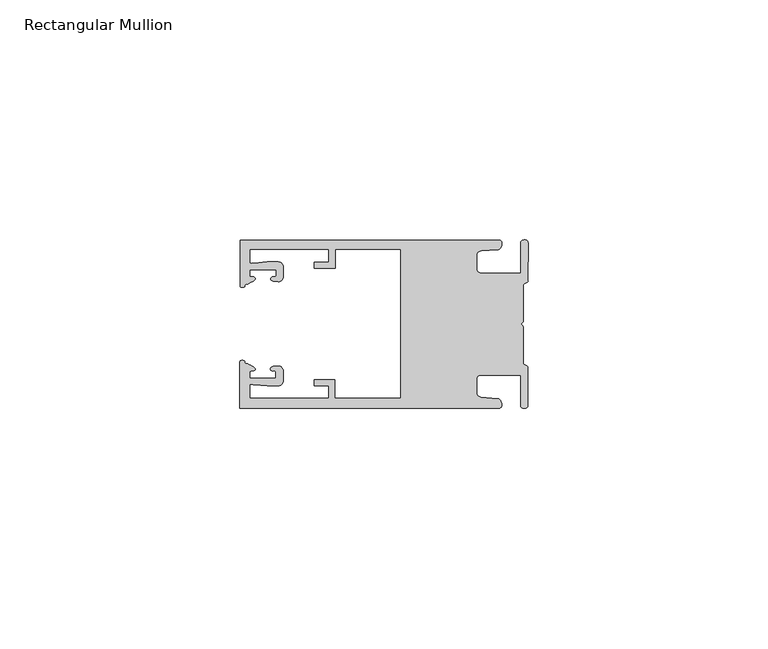
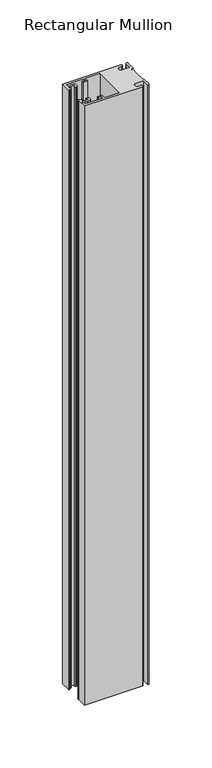
"""IFC4 building model written with IfcOpenShell, lengths in millimetres: member geometry, Rectangular Mullion."""

from ifc_helpers import new_model, si_unit, frame, origin, place, context, project, spatial, circle_curve, source, transform, mapped, element, save
from ifc_brep_helpers import plane_surface, cylinder_surface, extruded_surface, spline_curve, advanced_brep


def rectangular_mullion_0c5a2dcd(model_context):
    return source(origin(), model_context, "Body", "AdvancedBrep", [
        advanced_brep(
        [(-60.0749377, 17.5111528, 0.0), (-60.0749377, 8.0140787, 0.0), (-59.3252567, 7.7187455, 0.0), (-58.4967974, 8.36785, 0.0), (-58.0726619, 10.1173923, 0.0), (-58.0713101, 11.3673916, 0.0), (-52.5713133, 11.3614437, 0.0), (-52.5726651, 10.1114444, 0.0), (-53.1427626, 8.8955539, 0.0), (-52.0740172, 8.8609044, 0.0), (-51.0729364, 9.8598224, 0.0), (-51.0706653, 11.9598211, 0.0), (-52.0700692, 12.9609024, 0.0), (-54.3905105, 12.9622843, 0.0), (-57.1599646, 12.7230061, 0.0), (-58.0696339, 12.9173907, 0.0), (-58.066768, 15.5673891, 0.0), (-41.5667584, 15.5673891, 0.0), (-41.5695894, 12.9495468, 0.0), (-44.5695877, 12.9527912, 0.0), (-44.5709936, 11.6527919, 0.0), (-40.2709961, 11.6481417, 0.0), (-40.2667576, 15.5673891, 0.0), (-26.6002952, 15.5673891, 0.0), (-26.6002952, -15.4518424, 0.0), (-40.3003032, -15.4518424, 0.0), (-40.2960856, -11.5518447, 0.0), (-44.5960831, -11.5471945, 0.0), (-44.597489, -12.8471938, 0.0), (-41.5974907, -12.8504381, 0.0), (-41.6003025, -15.4504366, 0.0), (-58.1002928, -15.4325927, 0.0), (-58.097427, -12.7825943, 0.0), (-57.1873395, -12.5901776, 0.0), (-54.4184094, -12.8354453, 0.0), (-52.0979705, -12.8390822, 0.0), (-51.0964037, -11.8401649, 0.0), (-51.0941327, -9.7401662, 0.0), (-52.0930507, -8.7390853, 0.0), (-53.1618685, -8.7714231, 0.0), (-52.5944022, -9.9885439, 0.0), (-52.595754, -11.2385431, 0.0), (-58.0957508, -11.2325952, 0.0), (-58.094399, -9.9825959, 0.0), (-58.5147494, -8.2321403, 0.0), (-59.3418028, -7.5812455, 0.0), (-60.0921208, -7.8749565, 0.0), (-60.0921208, -17.4888267, 0.0), (-6.1024861, -17.4888267, 0.0), (-6.5218639, -15.488372, 0.0), (-9.8784944, -15.2205466, 0.0), (-10.7989567, -14.2226333, 0.0), (-10.7961029, -11.5837474, 0.0), (-9.8734844, -10.5878272, 0.0), (-1.5950266, -10.5934991, 0.0), (-1.601948, -16.9936935, 0.0), (-0.1017194, -16.7830581, 0.0), (-0.0933208, -9.0170082, 0.0), (-1.0923837, -8.1499018, 0.0), (-1.0842165, -0.5977972, 0.0), (-1.0829111, 0.6093089, 0.0), (-1.0747439, 8.1614135, 0.0), (-0.0738079, 9.026357, 0.0), (-0.0654093, 16.7924069, 0.0), (-1.5651789, 17.0062866, 0.0), (-1.5651789, 10.6183257, 0.0), (-9.8505511, 10.6183257, 0.0), (-10.7710133, 11.6162391, 0.0), (-10.7681595, 14.255125, 0.0), (-9.845541, 15.2510452, 0.0), (-6.4883391, 15.5116099, 0.0), (-6.0646356, 17.5111528, 0.0), (-60.0749377, 17.5111528, -584.2), (-6.0646356, 17.5111528, -584.2), (-6.4883391, 15.5116099, -584.2), (-9.845541, 15.2510452, -584.2), (-10.7681595, 14.255125, -584.2), (-10.7710133, 11.6162391, -584.2), (-9.8505511, 10.6183257, -584.2), (-1.5651789, 10.6183257, -584.2), (-1.5651789, 17.0062866, -584.2), (-0.0654093, 16.7924069, -584.2), (-0.0738079, 9.026357, -584.2), (-1.0747439, 8.1614135, -584.2), (-1.0829111, 0.6093089, -584.2), (-1.0842165, -0.5977972, -584.2), (-1.0923837, -8.1499018, -584.2), (-0.0933208, -9.0170082, -584.2), (-0.1017194, -16.7830581, -584.2), (-1.601948, -16.9936935, -584.2), (-1.5950266, -10.5934991, -584.2), (-9.8734844, -10.5878272, -584.2), (-10.7961029, -11.5837474, -584.2), (-10.7989567, -14.2226333, -584.2), (-9.8784944, -15.2205466, -584.2), (-6.5218639, -15.488372, -584.2), (-6.1024861, -17.4888267, -584.2), (-60.0921208, -17.4888267, -584.2), (-60.0921208, -7.8749565, -584.2), (-59.3418028, -7.5812455, -584.2), (-58.5147494, -8.2321403, -584.2), (-58.094399, -9.9825959, -584.2), (-58.0957508, -11.2325952, -584.2), (-52.595754, -11.2385431, -584.2), (-52.5944022, -9.9885439, -584.2), (-53.1618685, -8.7714231, -584.2), (-52.0930507, -8.7390853, -584.2), (-51.0941327, -9.7401662, -584.2), (-51.0964037, -11.8401649, -584.2), (-52.0979705, -12.8390823, -584.2), (-54.4184094, -12.8354453, -584.2), (-57.1873395, -12.5901776, -584.2), (-58.097427, -12.7825943, -584.2), (-58.1002928, -15.4325927, -584.2), (-41.6003025, -15.4504366, -584.2), (-41.5974907, -12.8504381, -584.2), (-44.597489, -12.8471938, -584.2), (-44.5960831, -11.5471945, -584.2), (-40.2960856, -11.5518447, -584.2), (-40.3003032, -15.4518424, -584.2), (-26.6002952, -15.4518424, -584.2), (-26.6002952, 15.5673891, -584.2), (-40.2667576, 15.5673891, -584.2), (-40.2709961, 11.6481417, -584.2), (-44.5709936, 11.6527919, -584.2), (-44.5695877, 12.9527912, -584.2), (-41.5695894, 12.9495468, -584.2), (-41.5667584, 15.5673891, -584.2), (-58.066768, 15.5673891, -584.2), (-58.0696339, 12.9173907, -584.2), (-57.1599646, 12.7230061, -584.2), (-54.3905105, 12.9622843, -584.2), (-52.0700692, 12.9609023, -584.2), (-51.0706653, 11.9598211, -584.2), (-51.0729364, 9.8598224, -584.2), (-52.0740172, 8.8609044, -584.2), (-53.1427626, 8.8955539, -584.2), (-52.5726651, 10.1114444, -584.2), (-52.5713133, 11.3614437, -584.2), (-58.0713101, 11.3673916, -584.2), (-58.0726619, 10.1173923, -584.2), (-58.4967974, 8.36785, -584.2), (-59.3252567, 7.7187455, -584.2), (-60.0749377, 8.0140787, -584.2)],
        [
            (0, 1),
            (1, 2, spline_curve(3, [(-60.0749377, 8.0140787, 0.0), (-60.075233123, 7.740904774, 0.0), (-59.825339491, 7.642460332, 0.0), (-59.3252567, 7.7187455, 0.0)], [4, 4], [0.0, 0.0019169337574178654])),
            (2, 3, spline_curve(3, [(-59.3252567, 7.7187455, 0.0), (-59.094460914, 7.75918372, 0.0), (-59.054835463, 7.902257199, 0.0), (-59.05559987, 8.233305614, 0.0), (-59.138729113, 8.4134359, 0.0), (-58.4967974, 8.36785, 0.0)], [4, 2, 4], [0.0, 0.0010199524164107188, 0.0024874514725970356])),
            (3, 4, spline_curve(3, [(-58.4967974, 8.36785, 0.0), (-57.022393378, 9.053435667, 0.0), (-56.827266887, 9.364828726, 0.0), (-56.982213078, 9.742623404, 0.0), (-57.177375211, 9.855581791, 0.0), (-57.697928101, 9.887955071, 0.0), (-57.997449153, 9.835475348, 0.0), (-58.0726619, 10.1173923, 0.0)], [4, 2, 2, 4], [0.0, 0.003269869179570428, 0.005490050486237203, 0.0073545767114364426])),
            (4, 5),
            (5, 6),
            (6, 7),
            (7, 8, spline_curve(3, [(-52.5726651, 10.1114444, 0.0), (-52.667195519, 9.760172042, 0.0), (-52.937094388, 9.861877724, 0.0), (-53.356237032, 9.895631753, 0.0), (-53.491940439, 9.811038713, 0.0), (-53.761900775, 9.511438033, 0.0), (-53.892893546, 9.278787104, 0.0), (-53.1427626, 8.8955539, 0.0)], [4, 2, 2, 4], [0.0, 0.001593963049934732, 0.0033360256320283306, 0.005339140673503943])),
            (8, 9),
            (9, 10, circle_curve(frame((-52.0729358, 9.8609038, 0.0), z_axis=(0.0, 0.0, 1.0), x_axis=(-0.0010814451158600304, -0.9999994152380598, 0.0)), 1.0)),
            (10, 11),
            (11, 12, circle_curve(frame((-52.0706647, 11.9609026, 0.0), z_axis=(0.0, 0.0, 1.0), x_axis=(-0.0010814451158600304, -0.9999994152380598, 0.0)), 1.0)),
            (12, 13),
            (13, 14),
            (14, 15, spline_curve(3, [(-57.1599646, 12.7230061, 0.0), (-57.631533854, 12.682262968, 0.0), (-58.018602985, 12.477800124, 0.0), (-58.0696339, 12.9173907, 0.0)], [4, 4], [0.0, 0.0014803385355886016])),
            (15, 16),
            (16, 17),
            (17, 18),
            (18, 19),
            (19, 20),
            (20, 21),
            (21, 22),
            (22, 23),
            (23, 24),
            (24, 25),
            (25, 26),
            (26, 27),
            (27, 28),
            (28, 29),
            (29, 30),
            (30, 31),
            (31, 32),
            (32, 33, spline_curve(3, [(-58.097427, -12.7825943, 0.0), (-58.045445419, -12.343115126, 0.0), (-57.658819528, -12.548414611, 0.0), (-57.1873395, -12.5901776, 0.0)], [4, 4], [0.0, 0.0014803385355886016])),
            (33, 34),
            (34, 35),
            (35, 36, circle_curve(frame((-52.0964031, -11.8390835, 0.0), z_axis=(0.0, 0.0, 1.0), x_axis=(0.0010814451158600304, 0.9999994152380598, 0.0)), 1.0)),
            (36, 37),
            (37, 38, circle_curve(frame((-52.0941321, -9.7390847, 0.0), z_axis=(0.0, 0.0, 1.0), x_axis=(0.0010814451158600304, 0.9999994152380598, 0.0)), 1.0)),
            (38, 39),
            (39, 40, spline_curve(3, [(-53.1618685, -8.7714231, 0.0), (-53.912826582, -9.153032958, 0.0), (-53.782337352, -9.385966711, 0.0), (-53.51302565, -9.686150585, 0.0), (-53.377505444, -9.771037009, 0.0), (-52.958290774, -9.738189618, 0.0), (-52.688172635, -9.637067904, 0.0), (-52.5944022, -9.9885439, 0.0)], [4, 2, 2, 4], [0.0, 0.002003115041475612, 0.0037451776235692107, 0.005339140673503943])),
            (40, 41),
            (41, 42),
            (42, 43),
            (43, 44, spline_curve(3, [(-58.094399, -9.9825959, 0.0), (-58.018576674, -9.700842284, 0.0), (-57.719169706, -9.753969703, 0.0), (-57.198548014, -9.722722397, 0.0), (-57.003142178, -9.61018632, 0.0), (-56.847379222, -9.232727657, 0.0), (-57.041831673, -8.920913336, 0.0), (-58.5147494, -8.2321403, 0.0)], [4, 2, 2, 4], [0.0, 0.0018645262251992395, 0.004084707531866015, 0.0073545767114364426])),
            (44, 45, spline_curve(3, [(-58.5147494, -8.2321403, 0.0), (-59.156778208, -8.276337666, 0.0), (-59.073259494, -8.096387681, 0.0), (-59.071779067, -7.765341694, 0.0), (-59.111095017, -7.622182811, 0.0), (-59.3418028, -7.5812455, 0.0)], [4, 2, 4], [0.0, 0.0014674990561863168, 0.0024874514725970356])),
            (45, 46, spline_curve(3, [(-59.3418028, -7.5812455, 0.0), (-59.841719425, -7.503878887, 0.0), (-60.091825377, -7.601782574, 0.0), (-60.0921208, -7.8749565, 0.0)], [4, 4], [0.0, 0.0019169337574178654])),
            (46, 47),
            (47, 48),
            (48, 49, spline_curve(3, [(-6.1024861, -17.4888267, 0.0), (-5.074532184, -17.418062188, 0.0), (-5.631140689, -15.411414367, 0.0), (-6.5218639, -15.488372, 0.0)], [4, 4], [0.0, 0.0043819361547461745])),
            (49, 50),
            (50, 51, spline_curve(3, [(-9.8784944, -15.2205466, 0.0), (-10.440691543, -15.150698463, 0.0), (-10.74751234, -14.818060727, 0.0), (-10.7989567, -14.2226333, 0.0)], [4, 4], [0.0, 0.0028645797420738927])),
            (51, 52),
            (52, 53, spline_curve(3, [(-10.7961029, -11.5837474, 0.0), (-10.743370817, -10.988432634, 0.0), (-10.435831301, -10.656459204, 0.0), (-9.8734844, -10.5878272, 0.0)], [4, 4], [0.0, 0.0028645797420738927])),
            (53, 54),
            (54, 55),
            (55, 56, spline_curve(3, [(-1.601948, -16.9936935, 0.0), (-1.655676874, -17.600261454, 0.0), (-0.043737403, -17.912795581, 0.0), (-0.1017194, -16.7830581, 0.0)], [4, 4], [0.0, 0.0036987374396357936])),
            (56, 57),
            (57, 58, spline_curve(3, [(-0.0933208, -9.0170082, 0.0), (-0.018818183, -8.695886697, 0.0), (-1.193434327, -8.459763043, 0.0), (-1.0923837, -8.1499018, 0.0)], [4, 4], [0.0, 0.002027216749630121])),
            (58, 59),
            (59, 60, spline_curve(3, [(-1.0842165, -0.5977972, 0.0), (-1.013223198, -0.445980437, 0.0), (-1.487945123, -0.206736825, 0.0), (-1.487409651, 0.231097965, 0.0), (-0.999110985, 0.429090391, 0.0), (-1.0829111, 0.6093089, 0.0)], [4, 2, 4], [0.0, 0.00249866671847065, 0.005031402919736269])),
            (60, 61),
            (61, 62, spline_curve(3, [(-1.0747439, 8.1614135, 0.0), (-1.175124095, 8.47149258, 0.0), (-7e-09, 8.705075107, 0.0), (-0.0738079, 9.026357, 0.0)], [4, 4], [0.0, 0.002027216749630121])),
            (62, 63),
            (63, 64, spline_curve(3, [(-0.0654093, 16.7924069, 0.0), (-0.004983942, 17.92201633, 0.0), (-1.617595709, 17.612969344, 0.0), (-1.5651789, 17.0062866, 0.0)], [4, 4], [0.0, 0.0036987374396357936])),
            (64, 65),
            (65, 66),
            (66, 67, spline_curve(3, [(-9.8505511, 10.6183257, 0.0), (-10.412748243, 10.688173837, 0.0), (-10.71956894, 11.020811673, 0.0), (-10.7710133, 11.6162391, 0.0)], [4, 4], [0.0, 0.0028645797420738927])),
            (67, 68),
            (68, 69, spline_curve(3, [(-10.7681595, 14.255125, 0.0), (-10.715427417, 14.850439766, 0.0), (-10.407887901, 15.182413196, 0.0), (-9.845541, 15.2510452, 0.0)], [4, 4], [0.0, 0.0028645797420738927])),
            (69, 70),
            (70, 71, spline_curve(3, [(-6.4883391, 15.5116099, 0.0), (-5.597784423, 15.432725911, 0.0), (-5.036837144, 17.438165103, 0.0), (-6.0646356, 17.5111528, 0.0)], [4, 4], [0.0, 0.0043819361547461745])),
            (71, 0),
            (72, 73),
            (73, 74, spline_curve(3, [(-6.0646356, 17.5111528, -584.2), (-5.036837144, 17.438165103, -584.2), (-5.597784423, 15.432725911, -584.2), (-6.4883391, 15.5116099, -584.2)], [4, 4], [0.0, 0.0043819361547461745])),
            (74, 75),
            (75, 76, spline_curve(3, [(-9.845541, 15.2510452, -584.2), (-10.407887901, 15.182413196, -584.2), (-10.715427417, 14.850439766, -584.2), (-10.7681595, 14.255125, -584.2)], [4, 4], [0.0, 0.0028645797420738927])),
            (76, 77),
            (77, 78, spline_curve(3, [(-10.7710133, 11.6162391, -584.2), (-10.71956894, 11.020811673, -584.2), (-10.412748243, 10.688173837, -584.2), (-9.8505511, 10.6183257, -584.2)], [4, 4], [0.0, 0.0028645797420738927])),
            (78, 79),
            (79, 80),
            (80, 81, spline_curve(3, [(-1.5651789, 17.0062866, -584.2), (-1.617595709, 17.612969344, -584.2), (-0.004983942, 17.92201633, -584.2), (-0.0654093, 16.7924069, -584.2)], [4, 4], [0.0, 0.0036987374396357936])),
            (81, 82),
            (82, 83, spline_curve(3, [(-0.0738079, 9.026357, -584.2), (-7e-09, 8.705075107, -584.2), (-1.175124095, 8.47149258, -584.2), (-1.0747439, 8.1614135, -584.2)], [4, 4], [0.0, 0.002027216749630121])),
            (83, 84),
            (84, 85, spline_curve(3, [(-1.0829111, 0.6093089, -584.2), (-0.999110985, 0.429090391, -584.2), (-1.487409651, 0.231097965, -584.2), (-1.487945123, -0.206736825, -584.2), (-1.013223198, -0.445980437, -584.2), (-1.0842165, -0.5977972, -584.2)], [4, 2, 4], [0.0, 0.002532736201265619, 0.005031402919736269])),
            (85, 86),
            (86, 87, spline_curve(3, [(-1.0923837, -8.1499018, -584.2), (-1.193434327, -8.459763043, -584.2), (-0.018818183, -8.695886697, -584.2), (-0.0933208, -9.0170082, -584.2)], [4, 4], [0.0, 0.002027216749630121])),
            (87, 88),
            (88, 89, spline_curve(3, [(-0.1017194, -16.7830581, -584.2), (-0.043737403, -17.912795581, -584.2), (-1.655676874, -17.600261454, -584.2), (-1.601948, -16.9936935, -584.2)], [4, 4], [0.0, 0.0036987374396357936])),
            (89, 90),
            (90, 91),
            (91, 92, spline_curve(3, [(-9.8734844, -10.5878272, -584.2), (-10.435831301, -10.656459204, -584.2), (-10.743370817, -10.988432634, -584.2), (-10.7961029, -11.5837474, -584.2)], [4, 4], [0.0, 0.0028645797420738927])),
            (92, 93),
            (93, 94, spline_curve(3, [(-10.7989567, -14.2226333, -584.2), (-10.74751234, -14.818060727, -584.2), (-10.440691543, -15.150698463, -584.2), (-9.8784944, -15.2205466, -584.2)], [4, 4], [0.0, 0.0028645797420738927])),
            (94, 95),
            (95, 96, spline_curve(3, [(-6.5218639, -15.488372, -584.2), (-5.631140689, -15.411414367, -584.2), (-5.074532184, -17.418062188, -584.2), (-6.1024861, -17.4888267, -584.2)], [4, 4], [0.0, 0.0043819361547461745])),
            (96, 97),
            (97, 98),
            (98, 99, spline_curve(3, [(-60.0921208, -7.8749565, -584.2), (-60.091825377, -7.601782574, -584.2), (-59.841719425, -7.503878887, -584.2), (-59.3418028, -7.5812455, -584.2)], [4, 4], [0.0, 0.0019169337574178654])),
            (99, 100, spline_curve(3, [(-59.3418028, -7.5812455, -584.2), (-59.111095017, -7.622182811, -584.2), (-59.071779067, -7.765341694, -584.2), (-59.073259494, -8.096387681, -584.2), (-59.156778208, -8.276337666, -584.2), (-58.5147494, -8.2321403, -584.2)], [4, 2, 4], [0.0, 0.0010199524164107188, 0.0024874514725970356])),
            (100, 101, spline_curve(3, [(-58.5147494, -8.2321403, -584.2), (-57.041831673, -8.920913336, -584.2), (-56.847379222, -9.232727657, -584.2), (-57.003142178, -9.61018632, -584.2), (-57.198548014, -9.722722397, -584.2), (-57.719169706, -9.753969703, -584.2), (-58.018576674, -9.700842284, -584.2), (-58.094399, -9.9825959, -584.2)], [4, 2, 2, 4], [0.0, 0.003269869179570428, 0.005490050486237203, 0.0073545767114364426])),
            (101, 102),
            (102, 103),
            (103, 104),
            (104, 105, spline_curve(3, [(-52.5944022, -9.9885439, -584.2), (-52.688172635, -9.637067904, -584.2), (-52.958290774, -9.738189618, -584.2), (-53.377505444, -9.771037009, -584.2), (-53.51302565, -9.686150585, -584.2), (-53.782337352, -9.385966711, -584.2), (-53.912826582, -9.153032958, -584.2), (-53.1618685, -8.7714231, -584.2)], [4, 2, 2, 4], [0.0, 0.001593963049934732, 0.0033360256320283306, 0.005339140673503943])),
            (105, 106),
            (106, 107, circle_curve(frame((-52.0941321, -9.7390847, -584.2), z_axis=(0.0, 0.0, -1.0), x_axis=(0.0010814451158600304, 0.9999994152380598, 0.0)), 1.0)),
            (107, 108),
            (108, 109, circle_curve(frame((-52.0964031, -11.8390835, -584.2), z_axis=(0.0, 0.0, -1.0), x_axis=(0.0010814451158600304, 0.9999994152380598, 0.0)), 1.0)),
            (109, 110),
            (110, 111),
            (111, 112, spline_curve(3, [(-57.1873395, -12.5901776, -584.2), (-57.658819528, -12.548414611, -584.2), (-58.045445419, -12.343115126, -584.2), (-58.097427, -12.7825943, -584.2)], [4, 4], [0.0, 0.0014803385355886016])),
            (112, 113),
            (113, 114),
            (114, 115),
            (115, 116),
            (116, 117),
            (117, 118),
            (118, 119),
            (119, 120),
            (120, 121),
            (121, 122),
            (122, 123),
            (123, 124),
            (124, 125),
            (125, 126),
            (126, 127),
            (127, 128),
            (128, 129),
            (129, 130, spline_curve(3, [(-58.0696339, 12.9173907, -584.2), (-58.018602985, 12.477800124, -584.2), (-57.631533854, 12.682262968, -584.2), (-57.1599646, 12.7230061, -584.2)], [4, 4], [0.0, 0.0014803385355886016])),
            (130, 131),
            (131, 132),
            (132, 133, circle_curve(frame((-52.0706647, 11.9609026, -584.2), z_axis=(0.0, 0.0, -1.0), x_axis=(-0.0010814451158600304, -0.9999994152380598, 0.0)), 1.0)),
            (133, 134),
            (134, 135, circle_curve(frame((-52.0729358, 9.8609038, -584.2), z_axis=(0.0, 0.0, -1.0), x_axis=(-0.0010814451158600304, -0.9999994152380598, 0.0)), 1.0)),
            (135, 136),
            (136, 137, spline_curve(3, [(-53.1427626, 8.8955539, -584.2), (-53.892893546, 9.278787104, -584.2), (-53.761900775, 9.511438033, -584.2), (-53.491940439, 9.811038713, -584.2), (-53.356237032, 9.895631753, -584.2), (-52.937094388, 9.861877724, -584.2), (-52.667195519, 9.760172042, -584.2), (-52.5726651, 10.1114444, -584.2)], [4, 2, 2, 4], [0.0, 0.002003115041475612, 0.0037451776235692107, 0.005339140673503943])),
            (137, 138),
            (138, 139),
            (139, 140),
            (140, 141, spline_curve(3, [(-58.0726619, 10.1173923, -584.2), (-57.997449153, 9.835475348, -584.2), (-57.697928101, 9.887955071, -584.2), (-57.177375211, 9.855581791, -584.2), (-56.982213078, 9.742623404, -584.2), (-56.827266887, 9.364828726, -584.2), (-57.022393378, 9.053435667, -584.2), (-58.4967974, 8.36785, -584.2)], [4, 2, 2, 4], [0.0, 0.0018645262251992395, 0.004084707531866015, 0.0073545767114364426])),
            (141, 142, spline_curve(3, [(-58.4967974, 8.36785, -584.2), (-59.138729113, 8.4134359, -584.2), (-59.05559987, 8.233305614, -584.2), (-59.054835463, 7.902257199, -584.2), (-59.094460914, 7.75918372, -584.2), (-59.3252567, 7.7187455, -584.2)], [4, 2, 4], [0.0, 0.0014674990561863168, 0.0024874514725970356])),
            (142, 143, spline_curve(3, [(-59.3252567, 7.7187455, -584.2), (-59.825339491, 7.642460332, -584.2), (-60.075233123, 7.740904774, -584.2), (-60.0749377, 8.0140787, -584.2)], [4, 4], [0.0, 0.0019169337574178654])),
            (143, 72),
            (0, 72),
            (143, 1),
            (142, 2),
            (141, 3),
            (140, 4),
            (139, 5),
            (138, 6),
            (137, 7),
            (136, 8),
            (135, 9),
            (134, 10),
            (133, 11),
            (132, 12),
            (131, 13),
            (130, 14),
            (129, 15),
            (128, 16),
            (127, 17),
            (126, 18),
            (125, 19),
            (124, 20),
            (123, 21),
            (122, 22),
            (121, 23),
            (120, 24),
            (119, 25),
            (118, 26),
            (117, 27),
            (116, 28),
            (115, 29),
            (114, 30),
            (113, 31),
            (112, 32),
            (111, 33),
            (110, 34),
            (109, 35),
            (108, 36),
            (107, 37),
            (106, 38),
            (105, 39),
            (104, 40),
            (103, 41),
            (102, 42),
            (101, 43),
            (100, 44),
            (99, 45),
            (98, 46),
            (97, 47),
            (96, 48),
            (95, 49),
            (94, 50),
            (93, 51),
            (92, 52),
            (91, 53),
            (90, 54),
            (89, 55),
            (88, 56),
            (87, 57),
            (86, 58),
            (85, 59),
            (84, 60),
            (83, 61),
            (82, 62),
            (81, 63),
            (80, 64),
            (79, 65),
            (78, 66),
            (77, 67),
            (76, 68),
            (75, 69),
            (74, 70),
            (73, 71),
        ],
        [
            plane_surface(frame((0.0, -62.5853181, 0.0), z_axis=(0.0, 0.0, 1.0), x_axis=(-1.0, 0.0, 0.0))),
            plane_surface(frame((0.0, -62.5853181, -584.2), z_axis=(0.0, 0.0, -1.0), x_axis=(-1.0, 0.0, 0.0))),
            plane_surface(frame((-60.0749377, 17.5111528, 0.0), z_axis=(-1.0, 0.0, 0.0), x_axis=(0.0, 0.0, -1.0))),
            extruded_surface(spline_curve(3, [(-60.0749377, 8.0140787, -584.2), (-60.075233123, 7.740904774, -584.2), (-59.825339491, 7.642460332, -584.2), (-59.3252567, 7.7187455, -584.2)], [4, 4], [0.0, 0.0019169337574178654]), (0.0, 0.0, 584.2), 584.2),
            extruded_surface(spline_curve(3, [(-59.3252567, 7.7187455, -584.2), (-59.094460914, 7.75918372, -584.2), (-59.054835463, 7.902257199, -584.2), (-59.05559987, 8.233305614, -584.2), (-59.138729113, 8.4134359, -584.2), (-58.4967974, 8.36785, -584.2)], [4, 2, 4], [0.0, 0.0010199524164107188, 0.0024874514725970356]), (0.0, 0.0, 584.2), 584.2),
            extruded_surface(spline_curve(3, [(-58.4967974, 8.36785, -584.2), (-57.022393378, 9.053435667, -584.2), (-56.827266887, 9.364828726, -584.2), (-56.982213078, 9.742623404, -584.2), (-57.177375211, 9.855581791, -584.2), (-57.697928101, 9.887955071, -584.2), (-57.997449153, 9.835475348, -584.2), (-58.0726619, 10.1173923, -584.2)], [4, 2, 2, 4], [0.0, 0.003269869179570428, 0.005490050486237203, 0.0073545767114364426]), (0.0, 0.0, 584.2), 584.2),
            plane_surface(frame((-58.0726619, 10.1173923, 0.0), z_axis=(0.9999994152380598, -0.0010814451158634145, 0.0), x_axis=(0.0, 0.0, -1.0))),
            plane_surface(frame((-58.0713101, 11.3673916, 0.0), z_axis=(-0.0010814451158616418, -0.9999994152380598, 0.0), x_axis=(0.0, 0.0, -1.0))),
            plane_surface(frame((-52.5713133, 11.3614437, 0.0), z_axis=(-0.9999994152380598, 0.0010814451158643293, 0.0), x_axis=(0.0, 0.0, -1.0))),
            extruded_surface(spline_curve(3, [(-52.5726651, 10.1114444, -584.2), (-52.667195519, 9.760172042, -584.2), (-52.937094388, 9.861877724, -584.2), (-53.356237032, 9.895631753, -584.2), (-53.491940439, 9.811038713, -584.2), (-53.761900775, 9.511438033, -584.2), (-53.892893546, 9.278787104, -584.2), (-53.1427626, 8.8955539, -584.2)], [4, 2, 2, 4], [0.0, 0.001593963049934732, 0.0033360256320283306, 0.005339140673503943]), (0.0, 0.0, 584.2), 584.2),
            plane_surface(frame((-53.1427626, 8.8955539, 0.0), z_axis=(-0.032403661401520414, -0.9994748634797054, 0.0), x_axis=(0.0, 0.0, -1.0))),
            cylinder_surface(frame((-52.0729358, 9.8609038, 0.0), z_axis=(0.0, 0.0, 1.0000000000000002), x_axis=(-0.0010814451158600304, -0.9999994152380598, 0.0)), 1.0),
            plane_surface(frame((-51.0729364, 9.8598224, 0.0), z_axis=(0.9999994152380598, -0.001081445115864059, 0.0), x_axis=(0.0, 0.0, -1.0))),
            cylinder_surface(frame((-52.0706647, 11.9609026, 0.0), z_axis=(0.0, 0.0, 1.0000000000000002), x_axis=(-0.0010814451158600304, -0.9999994152380598, 0.0)), 1.0),
            plane_surface(frame((-52.0700692, 12.9609023, 0.0), z_axis=(0.0005955716436318007, 0.999999822647193, 0.0), x_axis=(0.0, 0.0, -1.0))),
            plane_surface(frame((-54.3905105, 12.9622843, 0.0), z_axis=(-0.08607836189159865, 0.9962883697073147, 0.0), x_axis=(0.0, 0.0, -1.0))),
            extruded_surface(spline_curve(3, [(-57.1599646, 12.7230061, -584.2), (-57.631533854, 12.682262968, -584.2), (-58.018602985, 12.477800124, -584.2), (-58.0696339, 12.9173907, -584.2)], [4, 4], [0.0, 0.0014803385355886016]), (0.0, 0.0, 584.2), 584.2),
            plane_surface(frame((-58.0696339, 12.9173907, 0.0), z_axis=(0.9999994152380598, -0.0010814451158629996, 0.0), x_axis=(0.0, 0.0, -1.0))),
            plane_surface(frame((-58.066768, 15.5673891, 0.0), z_axis=(0.0, -1.0, 0.0), x_axis=(0.0, 0.0, -1.0))),
            plane_surface(frame((-41.5667584, 15.5673891, 0.0), z_axis=(-0.9999994152380598, 0.0010814451158636304, 0.0), x_axis=(0.0, 0.0, -1.0))),
            plane_surface(frame((-41.5695894, 12.9495468, 0.0), z_axis=(0.0010814451158615687, 0.9999994152380598, 0.0), x_axis=(0.0, 0.0, -1.0))),
            plane_surface(frame((-44.5695877, 12.9527912, 0.0), z_axis=(-0.9999994152380598, 0.0010814451158626742, 0.0), x_axis=(0.0, 0.0, -1.0))),
            plane_surface(frame((-44.5709936, 11.6527919, 0.0), z_axis=(-0.001081445115861604, -0.9999994152380598, 0.0), x_axis=(0.0, 0.0, -1.0))),
            plane_surface(frame((-40.2709961, 11.6481417, 0.0), z_axis=(0.9999994152380598, -0.001081445115863507, 0.0), x_axis=(0.0, 0.0, -1.0))),
            plane_surface(frame((-40.2667576, 15.5673891, 0.0), z_axis=(0.0, -1.0, 0.0), x_axis=(0.0, 0.0, -1.0))),
            plane_surface(frame((-26.6002952, 15.5673891, 0.0), z_axis=(-1.0, 0.0, 0.0), x_axis=(0.0, 0.0, -1.0))),
            plane_surface(frame((-26.6002952, -15.4518424, 0.0), z_axis=(0.0, 1.0, 0.0), x_axis=(0.0, 0.0, -1.0))),
            plane_surface(frame((-40.3003032, -15.4518424, 0.0), z_axis=(0.9999994152380598, -0.0010814451158565538, 0.0), x_axis=(0.0, 0.0, -1.0))),
            plane_surface(frame((-40.2960856, -11.5518447, 0.0), z_axis=(0.0010814451158584568, 0.9999994152380598, 0.0), x_axis=(0.0, 0.0, -1.0))),
            plane_surface(frame((-44.5960831, -11.5471945, 0.0), z_axis=(-0.9999994152380598, 0.0010814451158573867, 0.0), x_axis=(0.0, 0.0, -1.0))),
            plane_surface(frame((-44.597489, -12.8471938, 0.0), z_axis=(-0.0010814451158584922, -0.9999994152380598, 0.0), x_axis=(0.0, 0.0, -1.0))),
            plane_surface(frame((-41.5974907, -12.8504381, 0.0), z_axis=(-0.9999994152380598, 0.0010814451158564305, 0.0), x_axis=(0.0, 0.0, -1.0))),
            plane_surface(frame((-41.6003025, -15.4504366, 0.0), z_axis=(0.0010814451158583872, 0.9999994152380598, 0.0), x_axis=(0.0, 0.0, -1.0))),
            plane_surface(frame((-58.1002928, -15.4325927, 0.0), z_axis=(0.9999994152380598, -0.0010814451158570612, 0.0), x_axis=(0.0, 0.0, -1.0))),
            extruded_surface(spline_curve(3, [(-58.097427, -12.7825943, -584.2), (-58.045445419, -12.343115126, -584.2), (-57.658819528, -12.548414611, -584.2), (-57.1873395, -12.5901776, -584.2)], [4, 4], [0.0, 0.0014803385355886016]), (0.0, 0.0, 584.2), 584.2),
            plane_surface(frame((-57.1873395, -12.5901776, 0.0), z_axis=(-0.0882330216729926, -0.9960998614026876, 0.0), x_axis=(0.0, 0.0, -1.0))),
            plane_surface(frame((-54.4184094, -12.8354453, 0.0), z_axis=(-0.0015673183327880543, -0.9999987717558677, 0.0), x_axis=(0.0, 0.0, -1.0))),
            cylinder_surface(frame((-52.0964031, -11.8390835, 0.0), z_axis=(0.0, 0.0, 1.0000000000000002), x_axis=(0.0010814451158600304, 0.9999994152380598, 0.0)), 1.0),
            plane_surface(frame((-51.0964037, -11.8401649, 0.0), z_axis=(0.9999994152380598, -0.001081445115856002, 0.0), x_axis=(0.0, 0.0, -1.0))),
            cylinder_surface(frame((-52.0941321, -9.7390847, 0.0), z_axis=(0.0, 0.0, 1.0000000000000002), x_axis=(0.0010814451158600304, 0.9999994152380598, 0.0)), 1.0),
            plane_surface(frame((-52.0930507, -8.7390853, 0.0), z_axis=(-0.030241832452872642, 0.9995426111826812, 0.0), x_axis=(0.0, 0.0, -1.0))),
            extruded_surface(spline_curve(3, [(-53.1618685, -8.7714231, -584.2), (-53.912826582, -9.153032958, -584.2), (-53.782337352, -9.385966711, -584.2), (-53.51302565, -9.686150585, -584.2), (-53.377505444, -9.771037009, -584.2), (-52.958290774, -9.738189618, -584.2), (-52.688172635, -9.637067904, -584.2), (-52.5944022, -9.9885439, -584.2)], [4, 2, 2, 4], [0.0, 0.002003115041475612, 0.0037451776235692107, 0.005339140673503943]), (0.0, 0.0, 584.2), 584.2),
            plane_surface(frame((-52.5944022, -9.9885439, 0.0), z_axis=(-0.9999994152380598, 0.0010814451158557316, 0.0), x_axis=(0.0, 0.0, -1.0))),
            plane_surface(frame((-52.595754, -11.2385431, 0.0), z_axis=(0.001081445115858419, 0.9999994152380598, 0.0), x_axis=(0.0, 0.0, -1.0))),
            plane_surface(frame((-58.0957508, -11.2325952, 0.0), z_axis=(0.9999994152380598, -0.0010814451158566464, 0.0), x_axis=(0.0, 0.0, -1.0))),
            extruded_surface(spline_curve(3, [(-58.094399, -9.9825959, -584.2), (-58.018576674, -9.700842284, -584.2), (-57.719169706, -9.753969703, -584.2), (-57.198548014, -9.722722397, -584.2), (-57.003142178, -9.61018632, -584.2), (-56.847379222, -9.232727657, -584.2), (-57.041831673, -8.920913336, -584.2), (-58.5147494, -8.2321403, -584.2)], [4, 2, 2, 4], [0.0, 0.0018645262251992395, 0.004084707531866015, 0.0073545767114364426]), (0.0, 0.0, 584.2), 584.2),
            extruded_surface(spline_curve(3, [(-58.5147494, -8.2321403, -584.2), (-59.156778208, -8.276337666, -584.2), (-59.073259494, -8.096387681, -584.2), (-59.071779067, -7.765341694, -584.2), (-59.111095017, -7.622182811, -584.2), (-59.3418028, -7.5812455, -584.2)], [4, 2, 4], [0.0, 0.0014674990561863168, 0.0024874514725970356]), (0.0, 0.0, 584.2), 584.2),
            extruded_surface(spline_curve(3, [(-59.3418028, -7.5812455, -584.2), (-59.841719425, -7.503878887, -584.2), (-60.091825377, -7.601782574, -584.2), (-60.0921208, -7.8749565, -584.2)], [4, 4], [0.0, 0.0019169337574178654]), (0.0, 0.0, 584.2), 584.2),
            plane_surface(frame((-60.0921208, -7.8749565, 0.0), z_axis=(-1.0, 0.0, 0.0), x_axis=(0.0, 0.0, -1.0))),
            plane_surface(frame((-60.0921208, -17.4888267, 0.0), z_axis=(0.0, -1.0, 0.0), x_axis=(0.0, 0.0, -1.0))),
            extruded_surface(spline_curve(3, [(-6.1024861, -17.4888267, -584.2), (-5.074532184, -17.418062188, -584.2), (-5.631140689, -15.411414367, -584.2), (-6.5218639, -15.488372, -584.2)], [4, 4], [0.0, 0.0043819361547461745]), (0.0, 0.0, 584.2), 584.2),
            plane_surface(frame((-6.5218639, -15.488372, 0.0), z_axis=(0.07953716124904908, 0.9968319015663789, 0.0), x_axis=(0.0, 0.0, -1.0))),
            extruded_surface(spline_curve(3, [(-9.8784944, -15.2205466, -584.2), (-10.440691543, -15.150698463, -584.2), (-10.74751234, -14.818060727, -584.2), (-10.7989567, -14.2226333, -584.2)], [4, 4], [0.0, 0.0028645797420738927]), (0.0, 0.0, 584.2), 584.2),
            plane_surface(frame((-10.7989567, -14.2226333, 0.0), z_axis=(0.9999994152380598, -0.0010814451158568247, 0.0), x_axis=(0.0, 0.0, -1.0))),
            extruded_surface(spline_curve(3, [(-10.7961029, -11.5837474, -584.2), (-10.743370817, -10.988432634, -584.2), (-10.435831301, -10.656459204, -584.2), (-9.8734844, -10.5878272, -584.2)], [4, 4], [0.0, 0.0028645797420738927]), (0.0, 0.0, 584.2), 584.2),
            plane_surface(frame((-9.8734844, -10.5878272, 0.0), z_axis=(-0.0006851371995361226, -0.9999997652934814, 0.0), x_axis=(0.0, 0.0, -1.0))),
            plane_surface(frame((-1.5950266, -10.5934991, 0.0), z_axis=(-0.9999994152380598, 0.0010814451158568644, 0.0), x_axis=(0.0, 0.0, -1.0))),
            extruded_surface(spline_curve(3, [(-1.601948, -16.9936935, -584.2), (-1.655676874, -17.600261454, -584.2), (-0.043737403, -17.912795581, -584.2), (-0.1017194, -16.7830581, -584.2)], [4, 4], [0.0, 0.0036987374396357936]), (0.0, 0.0, 584.2), 584.2),
            plane_surface(frame((-0.1017194, -16.7830581, 0.0), z_axis=(0.9999994152380598, -0.001081445115856699, 0.0), x_axis=(0.0, 0.0, -1.0))),
            extruded_surface(spline_curve(3, [(-0.0933208, -9.0170082, -584.2), (-0.018818183, -8.695886697, -584.2), (-1.193434327, -8.459763043, -584.2), (-1.0923837, -8.1499018, -584.2)], [4, 4], [0.0, 0.002027216749630121]), (0.0, 0.0, 584.2), 584.2),
            plane_surface(frame((-1.0923837, -8.1499018, 0.0), z_axis=(0.9999994152380598, -0.0010814451158566698, 0.0), x_axis=(0.0, 0.0, -1.0))),
            extruded_surface(spline_curve(3, [(-1.0842165, -0.5977972, -584.2), (-1.013223198, -0.445980437, -584.2), (-1.487945123, -0.206736825, -584.2), (-1.487409651, 0.231097965, -584.2), (-0.999110985, 0.429090391, -584.2), (-1.0829111, 0.6093089, -584.2)], [4, 2, 4], [0.0, 0.00249866671847065, 0.005031402919736269]), (0.0, 0.0, 584.2), 584.2),
            plane_surface(frame((-1.0829111, 0.6093089, 0.0), z_axis=(0.9999994152380598, -0.001081445115863391, 0.0), x_axis=(0.0, 0.0, -1.0))),
            extruded_surface(spline_curve(3, [(-1.0747439, 8.1614135, -584.2), (-1.175124095, 8.47149258, -584.2), (-7e-09, 8.705075107, -584.2), (-0.0738079, 9.026357, -584.2)], [4, 4], [0.0, 0.002027216749630121]), (0.0, 0.0, 584.2), 584.2),
            plane_surface(frame((-0.0738079, 9.026357, 0.0), z_axis=(0.9999994152380598, -0.001081445115863362, 0.0), x_axis=(0.0, 0.0, -1.0))),
            extruded_surface(spline_curve(3, [(-0.0654093, 16.7924069, -584.2), (-0.004983942, 17.92201633, -584.2), (-1.617595709, 17.612969344, -584.2), (-1.5651789, 17.0062866, -584.2)], [4, 4], [0.0, 0.0036987374396357936]), (0.0, 0.0, 584.2), 584.2),
            plane_surface(frame((-1.5651789, 17.0062866, 0.0), z_axis=(-1.0, 0.0, 0.0), x_axis=(0.0, 0.0, -1.0))),
            plane_surface(frame((-1.5651789, 10.6183257, 0.0), z_axis=(0.0, 1.0, 0.0), x_axis=(0.0, 0.0, -1.0))),
            extruded_surface(spline_curve(3, [(-9.8505511, 10.6183257, -584.2), (-10.412748243, 10.688173837, -584.2), (-10.71956894, 11.020811673, -584.2), (-10.7710133, 11.6162391, -584.2)], [4, 4], [0.0, 0.0028645797420738927]), (0.0, 0.0, 584.2), 584.2),
            plane_surface(frame((-10.7710133, 11.6162391, 0.0), z_axis=(0.9999994152380598, -0.0010814451158632362, 0.0), x_axis=(0.0, 0.0, -1.0))),
            extruded_surface(spline_curve(3, [(-10.7681595, 14.255125, -584.2), (-10.715427417, 14.850439766, -584.2), (-10.407887901, 15.182413196, -584.2), (-9.845541, 15.2510452, -584.2)], [4, 4], [0.0, 0.0028645797420738927]), (0.0, 0.0, 584.2), 584.2),
            plane_surface(frame((-9.845541, 15.2510452, 0.0), z_axis=(0.07738093848608862, -0.9970015999781607, 0.0), x_axis=(0.0, 0.0, -1.0))),
            extruded_surface(spline_curve(3, [(-6.4883391, 15.5116099, -584.2), (-5.597784423, 15.432725911, -584.2), (-5.036837144, 17.438165103, -584.2), (-6.0646356, 17.5111528, -584.2)], [4, 4], [0.0, 0.0043819361547461745]), (0.0, 0.0, 584.2), 584.2),
            plane_surface(frame((-6.0646356, 17.5111528, 0.0), z_axis=(0.0, 1.0, 0.0), x_axis=(0.0, 0.0, -1.0))),
        ],
        [
            (0, [[1, 2, 3, 4, 5, 6, 7, 8, 9, 10, 11, 12, 13, 14, 15, 16, 17, 18, 19, 20, 21, 22, 23, 24, 25, 26, 27, 28, 29, 30, 31, 32, 33, 34, 35, 36, 37, 38, 39, 40, 41, 42, 43, 44, 45, 46, 47, 48, 49, 50, 51, 52, 53, 54, 55, 56, 57, 58, 59, 60, 61, 62, 63, 64, 65, 66, 67, 68, 69, 70, 71, 72]]),
            (1, [[73, 74, 75, 76, 77, 78, 79, 80, 81, 82, 83, 84, 85, 86, 87, 88, 89, 90, 91, 92, 93, 94, 95, 96, 97, 98, 99, 100, 101, 102, 103, 104, 105, 106, 107, 108, 109, 110, 111, 112, 113, 114, 115, 116, 117, 118, 119, 120, 121, 122, 123, 124, 125, 126, 127, 128, 129, 130, 131, 132, 133, 134, 135, 136, 137, 138, 139, 140, 141, 142, 143, 144]]),
            (2, [[-1, 145, -144, 146]]),
            (3, [[-2, -146, -143, 147]]),
            (4, [[-3, -147, -142, 148]]),
            (5, [[-4, -148, -141, 149]]),
            (6, [[-5, -149, -140, 150]]),
            (7, [[-6, -150, -139, 151]]),
            (8, [[-7, -151, -138, 152]]),
            (9, [[-8, -152, -137, 153]]),
            (10, [[-9, -153, -136, 154]]),
            (11, [[-10, -154, -135, 155]]),
            (12, [[-11, -155, -134, 156]]),
            (13, [[-12, -156, -133, 157]]),
            (14, [[-13, -157, -132, 158]]),
            (15, [[-14, -158, -131, 159]]),
            (16, [[-15, -159, -130, 160]]),
            (17, [[-16, -160, -129, 161]]),
            (18, [[-17, -161, -128, 162]]),
            (19, [[-18, -162, -127, 163]]),
            (20, [[-19, -163, -126, 164]]),
            (21, [[-20, -164, -125, 165]]),
            (22, [[-21, -165, -124, 166]]),
            (23, [[-22, -166, -123, 167]]),
            (24, [[-23, -167, -122, 168]]),
            (25, [[-24, -168, -121, 169]]),
            (26, [[-25, -169, -120, 170]]),
            (27, [[-26, -170, -119, 171]]),
            (28, [[-27, -171, -118, 172]]),
            (29, [[-28, -172, -117, 173]]),
            (30, [[-29, -173, -116, 174]]),
            (31, [[-30, -174, -115, 175]]),
            (32, [[-31, -175, -114, 176]]),
            (33, [[-32, -176, -113, 177]]),
            (34, [[-33, -177, -112, 178]]),
            (35, [[-34, -178, -111, 179]]),
            (36, [[-35, -179, -110, 180]]),
            (37, [[-36, -180, -109, 181]]),
            (38, [[-37, -181, -108, 182]]),
            (39, [[-38, -182, -107, 183]]),
            (40, [[-39, -183, -106, 184]]),
            (41, [[-40, -184, -105, 185]]),
            (42, [[-41, -185, -104, 186]]),
            (43, [[-42, -186, -103, 187]]),
            (44, [[-43, -187, -102, 188]]),
            (45, [[-44, -188, -101, 189]]),
            (46, [[-45, -189, -100, 190]]),
            (47, [[-46, -190, -99, 191]]),
            (48, [[-47, -191, -98, 192]]),
            (49, [[-48, -192, -97, 193]]),
            (50, [[-49, -193, -96, 194]]),
            (51, [[-50, -194, -95, 195]]),
            (52, [[-51, -195, -94, 196]]),
            (53, [[-52, -196, -93, 197]]),
            (54, [[-53, -197, -92, 198]]),
            (55, [[-54, -198, -91, 199]]),
            (56, [[-55, -199, -90, 200]]),
            (57, [[-56, -200, -89, 201]]),
            (58, [[-57, -201, -88, 202]]),
            (59, [[-58, -202, -87, 203]]),
            (60, [[-59, -203, -86, 204]]),
            (61, [[-60, -204, -85, 205]]),
            (62, [[-61, -205, -84, 206]]),
            (63, [[-62, -206, -83, 207]]),
            (64, [[-63, -207, -82, 208]]),
            (65, [[-64, -208, -81, 209]]),
            (66, [[-65, -209, -80, 210]]),
            (67, [[-66, -210, -79, 211]]),
            (68, [[-67, -211, -78, 212]]),
            (69, [[-68, -212, -77, 213]]),
            (70, [[-69, -213, -76, 214]]),
            (71, [[-70, -214, -75, 215]]),
            (72, [[-71, -215, -74, 216]]),
            (73, [[-72, -216, -73, -145]]),
        ],
    ),
    ])


if __name__ == "__main__":
    model = new_model("IFC4")
    model_context = context("Model", 3, world=origin())
    ifc_project = project(units=[si_unit("LENGTHUNIT", "METRE", prefix="MILLI")], contexts=[model_context])
    site = spatial("IfcSite", under=ifc_project)
    building = spatial("IfcBuilding", under=site)
    placement = place(None, origin())
    rectangular_mullion_shape = rectangular_mullion_0c5a2dcd(model_context)
    element("IfcMember", 1, ObjectType="Rectangular Mullion", at=placement, inside=building, context=model_context, shape_type="MappedRepresentation", body=[
        mapped(rectangular_mullion_shape, transform((0.0, 0.0, 0.0), x_axis=(1.0, 0.0, 0.0), y_axis=(0.0, 1.0, 0.0), z_axis=(0.0, 0.0, 1.0))),
    ])
    save(model, "model.ifc")
